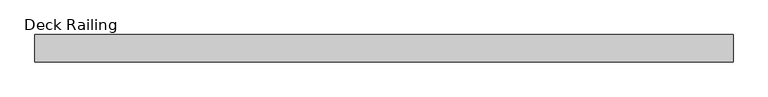
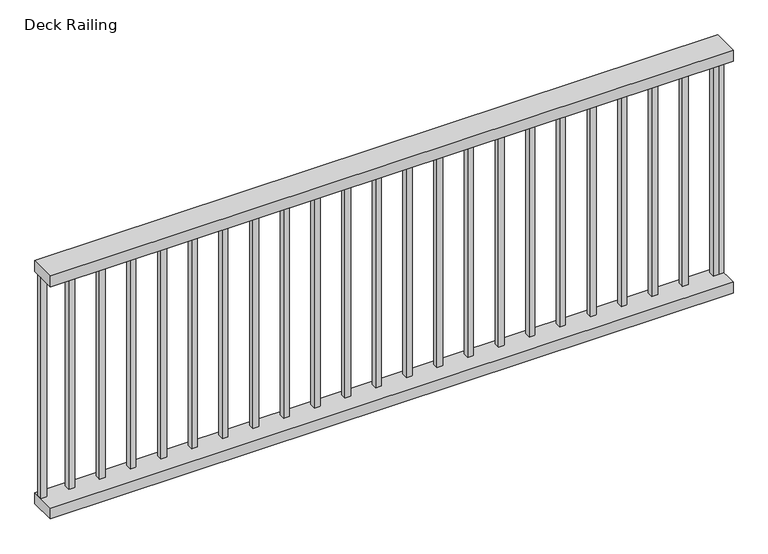
"""IFC4 building model written with IfcOpenShell, lengths in millimetres: railing geometry, Deck Railing."""

from ifc_helpers import new_model, si_unit, frame, origin, place, context, project, spatial, polyline, outline, extrude, source, transform, mapped, element, save


def deck_railing_42a98815(model_context):
    return source(origin(), model_context, "Body", "SweptSolid", [
        extrude(outline(polyline([(-8646.4871552, 439.6832134), (-8646.4871552, 528.5832134), (-6385.8871552, 528.5832134), (-6385.8871552, 439.6832134), (-8646.4871552, 439.6832134)])), frame((0.0, 0.0, 2095.5), z_axis=(0.0, 0.0, 1.0), x_axis=(1.0, 0.0, 0.0)), (0.0, 0.0, 1.0), 38.1),
        extrude(outline(polyline([(-8646.4871552, 439.6832134), (-8646.4871552, 528.5832134), (-6385.8871552, 528.5832134), (-6385.8871552, 439.6832134), (-8646.4871552, 439.6832134)])), frame((0.0, 0.0, 1282.7), z_axis=(0.0, 0.0, 1.0), x_axis=(1.0, 0.0, 0.0)), (0.0, 0.0, 1.0), 38.1),
        extrude(outline(polyline([(-6420.8121552, 493.6582134), (-6420.8121552, 512.7082134), (-6401.7621552, 512.7082134), (-6401.7621552, 493.6582134), (-6420.8121552, 493.6582134)])), frame((0.0, 0.0, 1320.8), z_axis=(0.0, 0.0, 1.0), x_axis=(1.0, 0.0, 0.0)), (0.0, 0.0, 1.0), 774.7),
        extrude(outline(polyline([(-6522.4121552, 493.6582134), (-6522.4121552, 512.7082134), (-6503.3621552, 512.7082134), (-6503.3621552, 493.6582134), (-6522.4121552, 493.6582134)])), frame((0.0, 0.0, 1320.8), z_axis=(0.0, 0.0, 1.0), x_axis=(1.0, 0.0, 0.0)), (0.0, 0.0, 1.0), 774.7),
        extrude(outline(polyline([(-6624.0121552, 493.6582134), (-6624.0121552, 512.7082134), (-6604.9621552, 512.7082134), (-6604.9621552, 493.6582134), (-6624.0121552, 493.6582134)])), frame((0.0, 0.0, 1320.8), z_axis=(0.0, 0.0, 1.0), x_axis=(1.0, 0.0, 0.0)), (0.0, 0.0, 1.0), 774.7),
        extrude(outline(polyline([(-6725.6121552, 493.6582134), (-6725.6121552, 512.7082134), (-6706.5621552, 512.7082134), (-6706.5621552, 493.6582134), (-6725.6121552, 493.6582134)])), frame((0.0, 0.0, 1320.8), z_axis=(0.0, 0.0, 1.0), x_axis=(1.0, 0.0, 0.0)), (0.0, 0.0, 1.0), 774.7),
        extrude(outline(polyline([(-6827.2121552, 493.6582134), (-6827.2121552, 512.7082134), (-6808.1621552, 512.7082134), (-6808.1621552, 493.6582134), (-6827.2121552, 493.6582134)])), frame((0.0, 0.0, 1320.8), z_axis=(0.0, 0.0, 1.0), x_axis=(1.0, 0.0, 0.0)), (0.0, 0.0, 1.0), 774.7),
        extrude(outline(polyline([(-6928.8121552, 493.6582134), (-6928.8121552, 512.7082134), (-6909.7621552, 512.7082134), (-6909.7621552, 493.6582134), (-6928.8121552, 493.6582134)])), frame((0.0, 0.0, 1320.8), z_axis=(0.0, 0.0, 1.0), x_axis=(1.0, 0.0, 0.0)), (0.0, 0.0, 1.0), 774.7),
        extrude(outline(polyline([(-7030.4121552, 493.6582134), (-7030.4121552, 512.7082134), (-7011.3621552, 512.7082134), (-7011.3621552, 493.6582134), (-7030.4121552, 493.6582134)])), frame((0.0, 0.0, 1320.8), z_axis=(0.0, 0.0, 1.0), x_axis=(1.0, 0.0, 0.0)), (0.0, 0.0, 1.0), 774.7),
        extrude(outline(polyline([(-7132.0121552, 493.6582134), (-7132.0121552, 512.7082134), (-7112.9621552, 512.7082134), (-7112.9621552, 493.6582134), (-7132.0121552, 493.6582134)])), frame((0.0, 0.0, 1320.8), z_axis=(0.0, 0.0, 1.0), x_axis=(1.0, 0.0, 0.0)), (0.0, 0.0, 1.0), 774.7),
        extrude(outline(polyline([(-7233.6121552, 493.6582134), (-7233.6121552, 512.7082134), (-7214.5621552, 512.7082134), (-7214.5621552, 493.6582134), (-7233.6121552, 493.6582134)])), frame((0.0, 0.0, 1320.8), z_axis=(0.0, 0.0, 1.0), x_axis=(1.0, 0.0, 0.0)), (0.0, 0.0, 1.0), 774.7),
        extrude(outline(polyline([(-7335.2121552, 493.6582134), (-7335.2121552, 512.7082134), (-7316.1621552, 512.7082134), (-7316.1621552, 493.6582134), (-7335.2121552, 493.6582134)])), frame((0.0, 0.0, 1320.8), z_axis=(0.0, 0.0, 1.0), x_axis=(1.0, 0.0, 0.0)), (0.0, 0.0, 1.0), 774.7),
        extrude(outline(polyline([(-7436.8121552, 493.6582134), (-7436.8121552, 512.7082134), (-7417.7621552, 512.7082134), (-7417.7621552, 493.6582134), (-7436.8121552, 493.6582134)])), frame((0.0, 0.0, 1320.8), z_axis=(0.0, 0.0, 1.0), x_axis=(1.0, 0.0, 0.0)), (0.0, 0.0, 1.0), 774.7),
        extrude(outline(polyline([(-7538.4121552, 493.6582134), (-7538.4121552, 512.7082134), (-7519.3621552, 512.7082134), (-7519.3621552, 493.6582134), (-7538.4121552, 493.6582134)])), frame((0.0, 0.0, 1320.8), z_axis=(0.0, 0.0, 1.0), x_axis=(1.0, 0.0, 0.0)), (0.0, 0.0, 1.0), 774.7),
        extrude(outline(polyline([(-7640.0121552, 493.6582134), (-7640.0121552, 512.7082134), (-7620.9621552, 512.7082134), (-7620.9621552, 493.6582134), (-7640.0121552, 493.6582134)])), frame((0.0, 0.0, 1320.8), z_axis=(0.0, 0.0, 1.0), x_axis=(1.0, 0.0, 0.0)), (0.0, 0.0, 1.0), 774.7),
        extrude(outline(polyline([(-7741.6121552, 493.6582134), (-7741.6121552, 512.7082134), (-7722.5621552, 512.7082134), (-7722.5621552, 493.6582134), (-7741.6121552, 493.6582134)])), frame((0.0, 0.0, 1320.8), z_axis=(0.0, 0.0, 1.0), x_axis=(1.0, 0.0, 0.0)), (0.0, 0.0, 1.0), 774.7),
        extrude(outline(polyline([(-7843.2121552, 493.6582134), (-7843.2121552, 512.7082134), (-7824.1621552, 512.7082134), (-7824.1621552, 493.6582134), (-7843.2121552, 493.6582134)])), frame((0.0, 0.0, 1320.8), z_axis=(0.0, 0.0, 1.0), x_axis=(1.0, 0.0, 0.0)), (0.0, 0.0, 1.0), 774.7),
        extrude(outline(polyline([(-7944.8121552, 493.6582134), (-7944.8121552, 512.7082134), (-7925.7621552, 512.7082134), (-7925.7621552, 493.6582134), (-7944.8121552, 493.6582134)])), frame((0.0, 0.0, 1320.8), z_axis=(0.0, 0.0, 1.0), x_axis=(1.0, 0.0, 0.0)), (0.0, 0.0, 1.0), 774.7),
        extrude(outline(polyline([(-8046.4121552, 493.6582134), (-8046.4121552, 512.7082134), (-8027.3621552, 512.7082134), (-8027.3621552, 493.6582134), (-8046.4121552, 493.6582134)])), frame((0.0, 0.0, 1320.8), z_axis=(0.0, 0.0, 1.0), x_axis=(1.0, 0.0, 0.0)), (0.0, 0.0, 1.0), 774.7),
        extrude(outline(polyline([(-8148.0121552, 493.6582134), (-8148.0121552, 512.7082134), (-8128.9621552, 512.7082134), (-8128.9621552, 493.6582134), (-8148.0121552, 493.6582134)])), frame((0.0, 0.0, 1320.8), z_axis=(0.0, 0.0, 1.0), x_axis=(1.0, 0.0, 0.0)), (0.0, 0.0, 1.0), 774.7),
        extrude(outline(polyline([(-8249.6121552, 493.6582134), (-8249.6121552, 512.7082134), (-8230.5621552, 512.7082134), (-8230.5621552, 493.6582134), (-8249.6121552, 493.6582134)])), frame((0.0, 0.0, 1320.8), z_axis=(0.0, 0.0, 1.0), x_axis=(1.0, 0.0, 0.0)), (0.0, 0.0, 1.0), 774.7),
        extrude(outline(polyline([(-8351.2121552, 493.6582134), (-8351.2121552, 512.7082134), (-8332.1621552, 512.7082134), (-8332.1621552, 493.6582134), (-8351.2121552, 493.6582134)])), frame((0.0, 0.0, 1320.8), z_axis=(0.0, 0.0, 1.0), x_axis=(1.0, 0.0, 0.0)), (0.0, 0.0, 1.0), 774.7),
        extrude(outline(polyline([(-8452.8121552, 493.6582134), (-8452.8121552, 512.7082134), (-8433.7621552, 512.7082134), (-8433.7621552, 493.6582134), (-8452.8121552, 493.6582134)])), frame((0.0, 0.0, 1320.8), z_axis=(0.0, 0.0, 1.0), x_axis=(1.0, 0.0, 0.0)), (0.0, 0.0, 1.0), 774.7),
        extrude(outline(polyline([(-8554.4121552, 493.6582134), (-8554.4121552, 512.7082134), (-8535.3621552, 512.7082134), (-8535.3621552, 493.6582134), (-8554.4121552, 493.6582134)])), frame((0.0, 0.0, 1320.8), z_axis=(0.0, 0.0, 1.0), x_axis=(1.0, 0.0, 0.0)), (0.0, 0.0, 1.0), 774.7),
        extrude(outline(polyline([(-6404.9371552, 493.6582134), (-6404.9371552, 512.7082134), (-6385.8871552, 512.7082134), (-6385.8871552, 493.6582134), (-6404.9371552, 493.6582134)])), frame((0.0, 0.0, 1320.8), z_axis=(0.0, 0.0, 1.0), x_axis=(1.0, 0.0, 0.0)), (0.0, 0.0, 1.0), 774.7),
        extrude(outline(polyline([(-8646.4871552, 493.6582134), (-8646.4871552, 512.7082134), (-8627.4371552, 512.7082134), (-8627.4371552, 493.6582134), (-8646.4871552, 493.6582134)])), frame((0.0, 0.0, 1320.8), z_axis=(0.0, 0.0, 1.0), x_axis=(1.0, 0.0, 0.0)), (0.0, 0.0, 1.0), 774.7),
    ])


if __name__ == "__main__":
    model = new_model("IFC4")
    model_context = context("Model", 3, world=origin())
    ifc_project = project(units=[si_unit("LENGTHUNIT", "METRE", prefix="MILLI")], contexts=[model_context])
    site = spatial("IfcSite", under=ifc_project)
    building = spatial("IfcBuilding", under=site)
    placement = place(None, origin())
    deck_railing_shape = deck_railing_42a98815(model_context)
    element("IfcRailing", 1, ObjectType="Deck Railing", at=placement, inside=building, context=model_context, shape_type="MappedRepresentation", body=[
        mapped(deck_railing_shape, transform((0.0, 0.0, 0.0), x_axis=(1.0, 0.0, 0.0), y_axis=(0.0, 1.0, 0.0), z_axis=(0.0, 0.0, 1.0))),
    ])
    save(model, "model.ifc")
